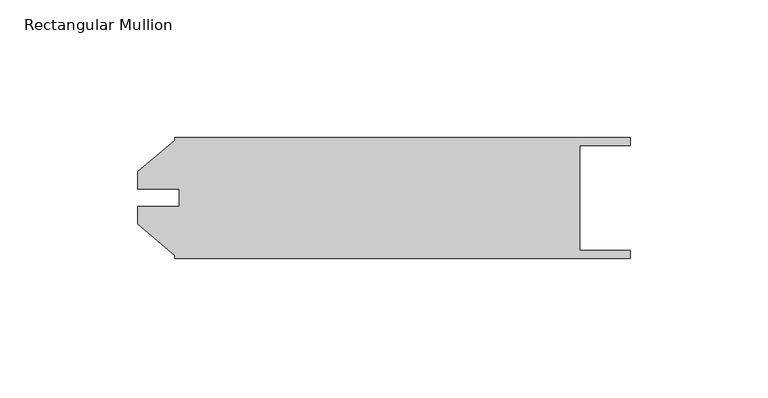
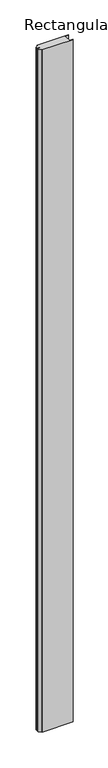
"""IFC4 building model written with IfcOpenShell, lengths in millimetres: member geometry, Rectangular Mullion."""

import ifcopenshell
import ifcopenshell.guid

model = None  # the IFC model being written
_history = None  # IfcOwnerHistory: only IFC2X3 demands one
_inside = {}  # id of a spatial element -> (the spatial element, [elements in it])
_under = {}  # id of a project, library or spatial element -> (it, [spatial elements below it])
_declared = {}  # id of a project -> (the project, [libraries it declares])
_typed = {}  # id of a type object -> (the type object, [elements of that type])
_made_of = {}  # id of a material, layer set ... -> (it, [elements and type objects made of it])


def new_model(schema):
    """Start an empty IFC model of exactly this schema.

    Asked for "IFC4X3", IfcOpenShell would pick the latest addendum, in which some entities
    have other attributes; the version numbers below select the first issue.
    IFC2X3 requires an IfcOwnerHistory on every rooted entity: one is made here for all.
    """
    global model, _history
    if schema == "IFC4X3":
        model = ifcopenshell.file(schema_version=(4, 3, 0, 0))
    else:
        model = ifcopenshell.file(schema=schema)
    _inside.clear()
    _under.clear()
    _declared.clear()
    _typed.clear()
    _made_of.clear()
    _history = None
    if model.schema == "IFC2X3":
        org = make("IfcOrganization", Name="unknown")
        user = make(
            "IfcPersonAndOrganization",
            ThePerson=make("IfcPerson", FamilyName="unknown"),
            TheOrganization=org,
        )
        app = make(
            "IfcApplication",
            ApplicationDeveloper=org,
            Version="unknown",
            ApplicationFullName="unknown",
            ApplicationIdentifier="unknown",
        )
        _history = make(
            "IfcOwnerHistory",
            OwningUser=user,
            OwningApplication=app,
            ChangeAction="ADDED",
            CreationDate=0,
        )
    return model


def make(cls, **values):
    """One entity of the class cls with the attributes given. An attribute that is None is left unset."""
    return model.create_entity(
        cls, **{name: value for name, value in values.items() if value is not None}
    )


def rooted(cls, **values):
    """An entity with a GlobalId (a new one), such as an element, a storey or a relation."""
    return make(cls, GlobalId=ifcopenshell.guid.new(), OwnerHistory=_history, **values)


def si_unit(unit_type, name, prefix=None):
    """IfcSIUnit, for example si_unit("LENGTHUNIT", "METRE", prefix="MILLI")."""
    return make("IfcSIUnit", UnitType=unit_type, Prefix=prefix, Name=name)


def assignment(units):
    """IfcUnitAssignment: the units of a project."""
    return None if units is None else make("IfcUnitAssignment", Units=units)


def point(xyz):
    """IfcCartesianPoint."""
    return None if xyz is None else make("IfcCartesianPoint", Coordinates=xyz)


def direction(xyz):
    """IfcDirection."""
    return None if xyz is None else make("IfcDirection", DirectionRatios=xyz)


def frame(location, z_axis=None, x_axis=None):
    """IfcAxis2Placement3D, a coordinate frame: its origin and axes. An axis left out is left unset."""
    return make(
        "IfcAxis2Placement3D",
        Location=point(location),
        Axis=direction(z_axis),
        RefDirection=direction(x_axis),
    )


def origin():
    """The frame at (0, 0, 0) with its axes left unset."""
    return frame((0.0, 0.0, 0.0))


def place(relative_to, where):
    """IfcLocalPlacement: puts the frame where relative to a parent placement (None: the world)."""
    return make(
        "IfcLocalPlacement", PlacementRelTo=relative_to, RelativePlacement=where
    )


def context(
    kind, dimensions, precision=None, world=None, true_north=None, identifier=None
):
    """IfcGeometricRepresentationContext, for example the 3D "Model" context."""
    return make(
        "IfcGeometricRepresentationContext",
        ContextIdentifier=identifier,
        ContextType=kind,
        CoordinateSpaceDimension=dimensions,
        Precision=precision,
        WorldCoordinateSystem=world,
        TrueNorth=true_north,
    )


def project(units=None, contexts=None):
    """IfcProject with its units and contexts."""
    return rooted(
        "IfcProject",
        Name="project",
        RepresentationContexts=contexts,
        UnitsInContext=assignment(units),
    )


def spatial(cls, under=None, at=None, **own):
    """A site, building, storey or space (cls), placed at a placement, below another one or the project."""
    s = rooted(cls, ObjectPlacement=at, **own)
    if under is not None:
        _under.setdefault(under.id(), (under, []))[1].append(s)
    return s


def polyline(points):
    """IfcPolyline through the points."""
    return make("IfcPolyline", Points=[point(p) for p in points])


def outline(outer, holes=None, kind="AREA"):
    """IfcArbitraryClosedProfileDef: a profile drawn as a closed curve; with holes, ...WithVoids."""
    if holes is None:
        return make("IfcArbitraryClosedProfileDef", ProfileType=kind, OuterCurve=outer)
    return make(
        "IfcArbitraryProfileDefWithVoids",
        ProfileType=kind,
        OuterCurve=outer,
        InnerCurves=holes,
    )


def extrude(swept, where, along, depth):
    """IfcExtrudedAreaSolid: the profile swept, set in the frame where, extruded along a direction by depth."""
    return make(
        "IfcExtrudedAreaSolid",
        SweptArea=swept,
        Position=where,
        ExtrudedDirection=direction(along),
        Depth=depth,
    )


def shape(context_of_items, identifier, shape_type, items):
    """IfcShapeRepresentation: the items that make up one representation, for example the "Body"."""
    return make(
        "IfcShapeRepresentation",
        ContextOfItems=context_of_items,
        RepresentationIdentifier=identifier,
        RepresentationType=shape_type,
        Items=items,
    )


def source(mapping_origin, context_of_items, identifier, shape_type, items):
    """IfcRepresentationMap: a shape defined once, which mapped items show again and again."""
    return make(
        "IfcRepresentationMap",
        MappingOrigin=mapping_origin,
        MappedRepresentation=shape(context_of_items, identifier, shape_type, items),
    )


def transform(
    local_origin,
    x_axis=None,
    y_axis=None,
    z_axis=None,
    scale=None,
    scale2=None,
    scale3=None,
    uniform=True,
):
    """IfcCartesianTransformationOperator3D, or its non-uniform kind. x_axis, y_axis, z_axis: its Axis1, 2, 3."""
    if uniform:
        return make(
            "IfcCartesianTransformationOperator3D",
            Axis1=direction(x_axis),
            Axis2=direction(y_axis),
            LocalOrigin=point(local_origin),
            Scale=scale,
            Axis3=direction(z_axis),
        )
    return make(
        "IfcCartesianTransformationOperator3DnonUniform",
        Axis1=direction(x_axis),
        Axis2=direction(y_axis),
        LocalOrigin=point(local_origin),
        Scale=scale,
        Axis3=direction(z_axis),
        Scale2=scale2,
        Scale3=scale3,
    )


def mapped(mapping_source, mapping_target):
    """IfcMappedItem: shows the shape of a source again, moved by a transform."""
    return make(
        "IfcMappedItem", MappingSource=mapping_source, MappingTarget=mapping_target
    )


def made_of(thing, what):
    """Note that an element or type object is made of a material, layer set ...; save() writes the relation."""
    if what is not None:
        _made_of.setdefault(what.id(), (what, []))[1].append(thing)
    return thing


def element(
    cls,
    number,
    at=None,
    inside=None,
    cuts=None,
    type_object=None,
    material=None,
    context=None,
    identifier="Body",
    shape_type=None,
    held_by="IfcProductDefinitionShape",
    body=None,
    shapes=None,
    **own,
):
    """One element of the class cls, such as IfcWall. Its Tag is "e" and its number.

    at: its placement. inside: the storey or other place that contains it. cuts: it is an
    opening in that element (IfcRelVoidsElement). A single representation is given by context,
    identifier, shape_type and body (its items); several are given by shapes. held_by: the class
    of the entity that holds the representations. save() writes the other relations.
    """
    e = rooted(cls, Tag="e%d" % number, ObjectPlacement=at, **own)
    if body is not None:
        shapes = [shape(context, identifier, shape_type, body)]
    if shapes is not None:
        e.Representation = make(held_by, Representations=shapes)
    if inside is not None:
        _inside.setdefault(inside.id(), (inside, []))[1].append(e)
    if cuts is not None:
        rooted(
            "IfcRelVoidsElement", RelatingBuildingElement=cuts, RelatedOpeningElement=e
        )
    if type_object is not None:
        _typed.setdefault(type_object.id(), (type_object, []))[1].append(e)
    return made_of(e, material)


def aggregate(whole, parts):
    """IfcRelAggregates: a whole, such as a stair, and the parts it consists of."""
    return rooted("IfcRelAggregates", RelatingObject=whole, RelatedObjects=parts)


def save(model, path):
    """Write the relations noted so far, then the file.

    IfcRelAggregates (storeys below a building ...), IfcRelContainedInSpatialStructure (elements
    in a storey), IfcRelDefinesByType, IfcRelAssociatesMaterial and IfcRelDeclares: one each for
    every whole, place, type object, material and project.
    """
    for whole, parts in _under.values():
        aggregate(whole, parts)
    for where, things in _inside.values():
        rooted(
            "IfcRelContainedInSpatialStructure",
            RelatedElements=things,
            RelatingStructure=where,
        )
    for kind, things in _typed.values():
        rooted("IfcRelDefinesByType", RelatedObjects=things, RelatingType=kind)
    for what, things in _made_of.values():
        rooted("IfcRelAssociatesMaterial", RelatedObjects=things, RelatingMaterial=what)
    for by, libraries in _declared.values():
        rooted("IfcRelDeclares", RelatingContext=by, RelatedDefinitions=libraries)
    model.write(path)


def rectangular_mullion_96a5e2f8(model_context):
    return source(origin(), model_context, "Body", "SweptSolid", [
        extrude(outline(polyline([(-196.0258136, -60.317666), (-182.5638136, -49.0217067), (-182.5638136, -47.9552), (-17.4625436, -47.9552), (-17.4625436, -50.8), (-35.6997436, -50.8), (-35.6997436, -88.9), (-17.4625436, -88.9), (-17.4625436, -91.7448), (-182.5638136, -91.7448), (-182.5638136, -90.6782933), (-196.0258136, -79.382334), (-196.0258136, -73.0120621), (-180.9890136, -73.0120621), (-180.9890136, -66.6879379), (-196.0258136, -66.6879379), (-196.0258136, -60.317666)])), frame((0.0, 0.0, -3819.5908301), z_axis=(0.0, 0.0, 1.0), x_axis=(1.0, 0.0, 0.0)), (0.0, 0.0, 1.0), 3819.5908301),
    ])


if __name__ == "__main__":
    model = new_model("IFC4")
    model_context = context("Model", 3, world=origin())
    ifc_project = project(units=[si_unit("LENGTHUNIT", "METRE", prefix="MILLI")], contexts=[model_context])
    site = spatial("IfcSite", under=ifc_project)
    building = spatial("IfcBuilding", under=site)
    placement = place(None, origin())
    rectangular_mullion_shape = rectangular_mullion_96a5e2f8(model_context)
    element("IfcMember", 1, ObjectType="Rectangular Mullion", at=placement, inside=building, context=model_context, shape_type="MappedRepresentation", body=[
        mapped(rectangular_mullion_shape, transform((0.0, 0.0, 0.0), x_axis=(1.0, 0.0, 0.0), y_axis=(0.0, 1.0, 0.0), z_axis=(0.0, 0.0, 1.0))),
    ])
    save(model, "model.ifc")
